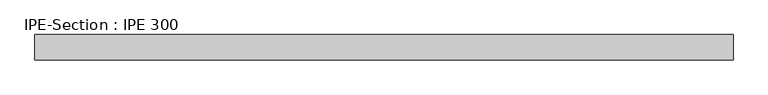
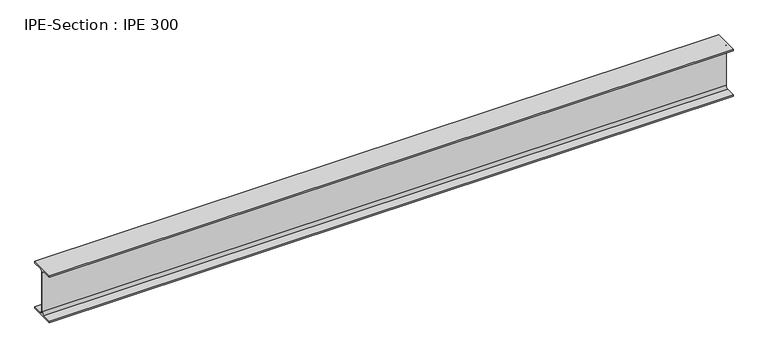
"""IFC4 building model written with IfcOpenShell, lengths in millimetres: beam geometry, IPE-Section : IPE 300."""

from ifc_helpers import new_model, si_unit, point, frame, frame_2d, origin, place, context, project, spatial, polyline, circle_curve, trimmed, segment, composite_curve, outline, extrude, source, transform, mapped, element, save


def ipe_section_ipe_300_9cab7832(model_context):
    return source(origin(), model_context, "Body", "SweptSolid", [
        extrude(outline(composite_curve([segment(polyline([(-75.0, -139.3), (-18.55, -139.3)]), True, "CONTINUOUS"), segment(trimmed(circle_curve(frame_2d((-18.55, -124.3)), 15.0), [point((-18.55, -139.3))], [point((-3.55, -124.3))], True, "CARTESIAN"), True, "CONTINUOUS"), segment(polyline([(-3.55, -124.3), (-3.55, 124.3)]), True, "CONTINUOUS"), segment(trimmed(circle_curve(frame_2d((-18.55, 124.3)), 15.0), [point((-3.55, 124.3))], [point((-18.55, 139.3))], True, "CARTESIAN"), True, "CONTINUOUS"), segment(polyline([(-18.55, 139.3), (-75.0, 139.3), (-75.0, 150.0), (75.0, 150.0), (75.0, 139.3), (18.55, 139.3)]), True, "CONTINUOUS"), segment(trimmed(circle_curve(frame_2d((18.55, 124.3)), 15.0), [point((18.55, 139.3))], [point((3.55, 124.3))], True, "CARTESIAN"), True, "CONTINUOUS"), segment(polyline([(3.55, 124.3), (3.55, -124.3)]), True, "CONTINUOUS"), segment(trimmed(circle_curve(frame_2d((18.55, -124.3)), 15.0), [point((3.55, -124.3))], [point((18.55, -139.3))], True, "CARTESIAN"), True, "CONTINUOUS"), segment(polyline([(18.55, -139.3), (75.0, -139.3), (75.0, -150.0), (-75.0, -150.0), (-75.0, -139.3)]), True, "CONTINUOUS")], self_intersect=False)), frame((-2075.2166661, 0.0, 0.0), z_axis=(1.0, 0.0, 0.0), x_axis=(0.0, 1.0, 0.0)), (0.0, 0.0, 1.0), 4118.4333327),
    ])


if __name__ == "__main__":
    model = new_model("IFC4")
    model_context = context("Model", 3, world=origin())
    ifc_project = project(units=[si_unit("LENGTHUNIT", "METRE", prefix="MILLI")], contexts=[model_context])
    site = spatial("IfcSite", under=ifc_project)
    building = spatial("IfcBuilding", under=site)
    placement = place(None, origin())
    ipe_section_ipe_300_shape = ipe_section_ipe_300_9cab7832(model_context)
    element("IfcBeam", 1, ObjectType="IPE-Section : IPE 300", at=placement, inside=building, context=model_context, shape_type="MappedRepresentation", body=[
        mapped(ipe_section_ipe_300_shape, transform((0.0, 0.0, 0.0), x_axis=(1.0, 0.0, 0.0), y_axis=(0.0, 1.0, 0.0), z_axis=(0.0, 0.0, 1.0))),
    ])
    save(model, "model.ifc")
